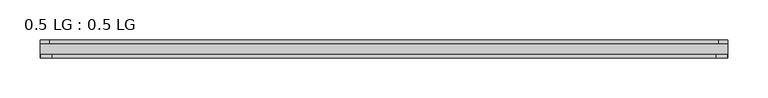
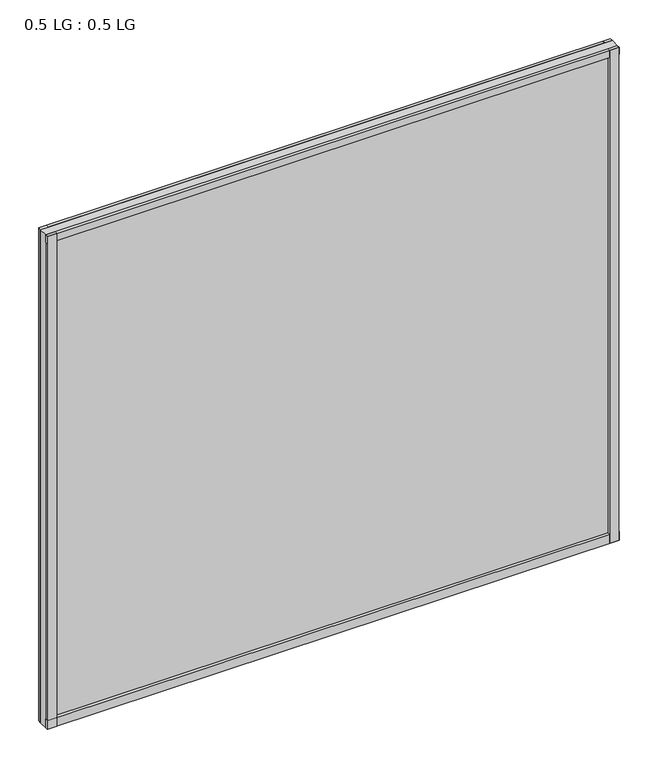
"""IFC4 building model written with IfcOpenShell, lengths in millimetres: plate geometry, 0.5 LG : 0.5 LG."""

from ifc_helpers import new_model, si_unit, frame, origin, origin_with_axes, place, context, project, spatial, polyline, outline, extrude, source, transform, mapped, element, save


def plate_0_5_lg_0_5_lg_0d866481(model_context):
    return source(origin(), model_context, "Body", "SweptSolid", [
        extrude(outline(polyline([(428.625, -4.6736), (417.1724034, -4.6736), (417.1724034, 0.0), (428.625, 0.0), (428.625, -4.6736)])), origin_with_axes(), (0.0, 0.0, 1.0), 781.1739499),
        extrude(outline(polyline([(414.4056761, -18.288), (427.8093966, -18.288), (427.8093966, -22.479), (414.4056761, -22.479), (414.4056761, -18.288)])), origin_with_axes(), (0.0, 0.0, 1.0), 781.1739499),
        extrude(outline(polyline([(-417.1071913, 0.0), (-417.1071913, -4.6736), (-428.625, -4.6736), (-428.625, 0.0), (-417.1071913, 0.0)])), origin_with_axes(), (0.0, 0.0, 1.0), 781.1739499),
        extrude(outline(polyline([(-414.4159512, -18.288), (-414.4159512, -22.479), (-427.8093966, -22.479), (-427.8093966, -18.288), (-414.4159512, -18.288)])), origin_with_axes(), (0.0, 0.0, 1.0), 781.1739499),
        extrude(outline(polyline([(428.625, 0.0), (428.625, -4.6736), (-428.625, -4.6736), (-428.625, 0.0), (428.625, 0.0)])), origin_with_axes(), (0.0, 0.0, 1.0), 11.444324),
        extrude(outline(polyline([(428.625, -18.288), (428.625, -22.479), (-428.625, -22.479), (-428.625, -18.288), (428.625, -18.288)])), origin_with_axes(), (0.0, 0.0, 1.0), 14.1703966),
        extrude(outline(polyline([(428.625, 0.0), (428.625, -4.6736), (-428.625, -4.6736), (-428.625, 0.0), (428.625, 0.0)])), frame((0.0, 0.0, 769.5088472), z_axis=(0.0, 0.0, 1.0), x_axis=(1.0, 0.0, 0.0)), (0.0, 0.0, 1.0), 11.6651026),
        extrude(outline(polyline([(428.625, -18.288), (428.625, -22.479), (-428.625, -22.479), (-428.625, -18.288), (428.625, -18.288)])), frame((0.0, 0.0, 769.5088472), z_axis=(0.0, 0.0, 1.0), x_axis=(1.0, 0.0, 0.0)), (0.0, 0.0, 1.0), 11.6651026),
        extrude(outline(polyline([(428.625, -4.6736), (428.625, -18.288), (-428.625, -18.288), (-428.625, -4.6736), (428.625, -4.6736)])), origin_with_axes(), (0.0, 0.0, 1.0), 781.1739499),
    ])


if __name__ == "__main__":
    model = new_model("IFC4")
    model_context = context("Model", 3, world=origin())
    ifc_project = project(units=[si_unit("LENGTHUNIT", "METRE", prefix="MILLI")], contexts=[model_context])
    site = spatial("IfcSite", under=ifc_project)
    building = spatial("IfcBuilding", under=site)
    placement = place(None, origin())
    plate_0_5_lg_0_5_lg_shape = plate_0_5_lg_0_5_lg_0d866481(model_context)
    element("IfcPlate", 1, ObjectType="0.5 LG : 0.5 LG", at=placement, inside=building, context=model_context, shape_type="MappedRepresentation", body=[
        mapped(plate_0_5_lg_0_5_lg_shape, transform((0.0, 0.0, 0.0), x_axis=(1.0, 0.0, 0.0), y_axis=(0.0, 1.0, 0.0), z_axis=(0.0, 0.0, 1.0))),
    ])
    save(model, "model.ifc")
